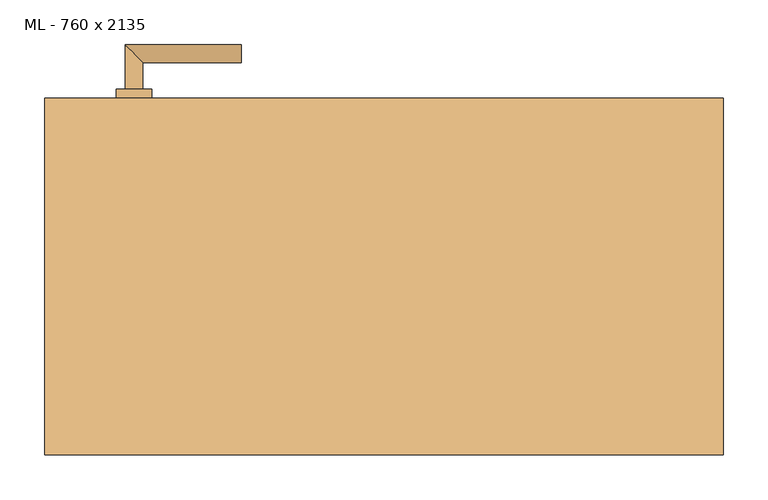
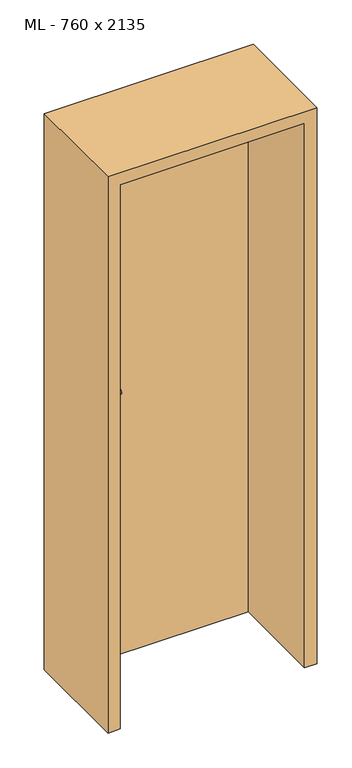
"""IFC4 building model written with IfcOpenShell, lengths in millimetres: door geometry, ML - 760 x 2135."""

from ifc_helpers import new_model, si_unit, point, frame, frame_2d, origin, origin_with_axes, place, context, project, spatial, polyline, circle_curve, ellipse_curve, trimmed, segment, composite_curve, outline, extrude, faceted_brep, source, transform, mapped, element, save
from ifc_brep_helpers import plane_surface, cylinder_surface, advanced_brep


def ml_760_x_2135_581e9e15(model_context):
    return source(origin(), model_context, "Body", "SolidModel", [
        extrude(outline(polyline([(346.0, 200.0), (346.0, 155.0), (-346.0, 155.0), (-346.0, 200.0), (346.0, 200.0)])), origin_with_axes(), (0.0, 0.0, 1.0), 2101.0),
        advanced_brep(
        [(-270.0, 210.0, 1050.0), (-290.0, 210.0, 1050.0), (-270.0, 240.0, 1050.0), (-290.0, 260.0, 1050.0), (-160.0, 240.0, 1050.0), (-160.0, 260.0, 1050.0)],
        [
            (0, 1, circle_curve(frame((-280.0, 210.0, 1050.0), z_axis=(0.0, -1.0, 0.0), x_axis=(-1.0, 0.0, 0.0)), 10.0)),
            (1, 0, circle_curve(frame((-280.0, 210.0, 1050.0), z_axis=(0.0, -1.0, 0.0), x_axis=(-1.0, 0.0, 0.0)), 10.0)),
            (0, 2),
            (2, 3, ellipse_curve(frame((-280.0, 250.0, 1050.0), z_axis=(-0.7071067811865531, -0.7071067811865419, 0.0), x_axis=(0.707106781186542, -0.707106781186553, 0.0)), 14.1421356, 10.0)),
            (3, 1),
            (3, 2, ellipse_curve(frame((-280.0, 250.0, 1050.0), z_axis=(-0.7071067811865531, -0.7071067811865419, 0.0), x_axis=(0.707106781186542, -0.707106781186553, 0.0)), 14.1421356, 10.0)),
            (4, 5, circle_curve(frame((-160.0, 250.0, 1050.0), z_axis=(1.0, 0.0, 0.0), x_axis=(0.0, 1.0, 0.0)), 10.0)),
            (5, 4, circle_curve(frame((-160.0, 250.0, 1050.0), z_axis=(1.0, 0.0, 0.0), x_axis=(0.0, 1.0, 0.0)), 10.0)),
            (2, 4),
            (5, 3),
        ],
        [
            plane_surface(frame((-280.0, 210.0, 1050.0), z_axis=(0.0, -1.0, 0.0), x_axis=(0.0, 0.0, 1.0))),
            cylinder_surface(frame((-280.0, 210.0, 1050.0), z_axis=(0.0, -1.0, 0.0), x_axis=(-1.0, 0.0, 0.0)), 10.0),
            plane_surface(frame((-160.0, 250.0, 1050.0), z_axis=(1.0, 0.0, 0.0), x_axis=(0.0, 0.0, 1.0))),
            cylinder_surface(frame((-280.0, 250.0, 1050.0), z_axis=(-1.0, 0.0, 0.0), x_axis=(0.0, 1.0, 0.0)), 10.0),
        ],
        [
            (0, [[1, 2]]),
            (1, [[-1, 3, 4, 5]]),
            (1, [[-2, -5, 6, -3]]),
            (2, [[7, 8]]),
            (3, [[-4, 9, -8, 10]]),
            (3, [[-6, -10, -7, -9]]),
        ],
    ),
        extrude(outline(composite_curve([segment(trimmed(circle_curve(frame_2d((990.0, -280.0)), 20.0), [point((990.0, -300.0))], [point((990.0, -260.0))], False, "CARTESIAN"), True, "CONTINUOUS"), segment(trimmed(circle_curve(frame_2d((990.0, -280.0)), 20.0), [point((990.0, -260.0))], [point((990.0, -300.0))], False, "CARTESIAN"), True, "CONTINUOUS")], self_intersect=False), holes=[composite_curve([segment(polyline([(976.4601385, -282.397268), (988.4749012, -282.397268)]), True, "CONTINUOUS"), segment(trimmed(circle_curve(frame_2d((995.0361633, -280.0)), 6.9854888), [point((988.4749012, -282.397268))], [point((988.4749012, -277.602732))], True, "CARTESIAN"), True, "CONTINUOUS"), segment(polyline([(988.4749012, -277.602732), (976.4601385, -277.602732)]), True, "CONTINUOUS"), segment(trimmed(circle_curve(frame_2d((976.4601385, -280.0)), 2.397268), [point((976.4601385, -277.602732))], [point((976.4601385, -282.397268))], True, "CARTESIAN"), True, "CONTINUOUS")], self_intersect=False)]), frame((0.0, 200.0, 0.0), z_axis=(0.0, 1.0, 0.0), x_axis=(0.0, 0.0, 1.0)), (0.0, 0.0, 1.0), 10.0),
        advanced_brep(
        [(-270.0, 210.0, 1050.0), (-290.0, 210.0, 1050.0), (-270.0, 240.0, 1050.0), (-290.0, 260.0, 1050.0), (-160.0, 240.0, 1050.0), (-160.0, 260.0, 1050.0)],
        [
            (0, 1, circle_curve(frame((-280.0, 210.0, 1050.0), z_axis=(0.0, -1.0, 0.0), x_axis=(-1.0, 0.0, 0.0)), 10.0)),
            (1, 0, circle_curve(frame((-280.0, 210.0, 1050.0), z_axis=(0.0, -1.0, 0.0), x_axis=(-1.0, 0.0, 0.0)), 10.0)),
            (0, 2),
            (2, 3, ellipse_curve(frame((-280.0, 250.0, 1050.0), z_axis=(-0.7071067811865537, -0.7071067811865414, 0.0), x_axis=(0.7071067811865414, -0.7071067811865536, 0.0)), 14.1421356, 10.0)),
            (3, 1),
            (3, 2, ellipse_curve(frame((-280.0, 250.0, 1050.0), z_axis=(-0.7071067811865537, -0.7071067811865414, 0.0), x_axis=(0.7071067811865414, -0.7071067811865536, 0.0)), 14.1421356, 10.0)),
            (4, 5, circle_curve(frame((-160.0, 250.0, 1050.0), z_axis=(1.0, 0.0, 0.0), x_axis=(0.0, 1.0, 0.0)), 10.0)),
            (5, 4, circle_curve(frame((-160.0, 250.0, 1050.0), z_axis=(1.0, 0.0, 0.0), x_axis=(0.0, 1.0, 0.0)), 10.0)),
            (2, 4),
            (5, 3),
        ],
        [
            plane_surface(frame((-280.0, 210.0, 1050.0), z_axis=(0.0, -1.0, 0.0), x_axis=(0.0, 0.0, 1.0))),
            cylinder_surface(frame((-280.0, 210.0, 1050.0), z_axis=(0.0, -1.0, 0.0), x_axis=(-1.0, 0.0, 0.0)), 10.0),
            plane_surface(frame((-160.0, 250.0, 1050.0), z_axis=(1.0, 0.0, 0.0), x_axis=(0.0, 0.0, 1.0))),
            cylinder_surface(frame((-280.0, 250.0, 1050.0), z_axis=(-1.0, 0.0, 0.0), x_axis=(0.0, 1.0, 0.0)), 10.0),
        ],
        [
            (0, [[1, 2]]),
            (1, [[-1, 3, 4, 5]]),
            (1, [[-2, -5, 6, -3]]),
            (2, [[7, 8]]),
            (3, [[-4, 9, -8, 10]]),
            (3, [[-6, -10, -7, -9]]),
        ],
    ),
        extrude(outline(composite_curve([segment(trimmed(circle_curve(frame_2d((1050.0, -280.0)), 20.0), [point((1050.0, -300.0))], [point((1050.0, -260.0))], False, "CARTESIAN"), True, "CONTINUOUS"), segment(trimmed(circle_curve(frame_2d((1050.0, -280.0)), 20.0), [point((1050.0, -260.0))], [point((1050.0, -300.0))], False, "CARTESIAN"), True, "CONTINUOUS")], self_intersect=False)), frame((0.0, 200.0, 0.0), z_axis=(0.0, 1.0, 0.0), x_axis=(0.0, 0.0, 1.0)), (0.0, 0.0, 1.0), 10.0),
        advanced_brep(
        [(-270.0, 145.0, 1050.0), (-290.0, 145.0, 1050.0), (-290.0, 95.0, 1050.0), (-270.0, 115.0, 1050.0), (-160.0, 115.0, 1050.0), (-160.0, 95.0, 1050.0)],
        [
            (0, 1, circle_curve(frame((-280.0, 145.0, 1050.0), z_axis=(0.0, 1.0, 0.0), x_axis=(-1.0, 0.0, 0.0)), 10.0)),
            (1, 0, circle_curve(frame((-280.0, 145.0, 1050.0), z_axis=(0.0, 1.0, 0.0), x_axis=(-1.0, 0.0, 0.0)), 10.0)),
            (1, 2),
            (2, 3, ellipse_curve(frame((-280.0, 105.0, 1050.0), z_axis=(-0.7071067811865486, 0.7071067811865464, 0.0), x_axis=(0.7071067811865464, 0.7071067811865488, 0.0)), 14.1421356, 10.0)),
            (3, 0),
            (3, 2, ellipse_curve(frame((-280.0, 105.0, 1050.0), z_axis=(-0.7071067811865486, 0.7071067811865464, 0.0), x_axis=(0.7071067811865464, 0.7071067811865488, 0.0)), 14.1421356, 10.0)),
            (4, 5, circle_curve(frame((-160.0, 105.0, 1050.0), z_axis=(1.0, 0.0, 0.0), x_axis=(0.0, -1.0, 0.0)), 10.0)),
            (5, 4, circle_curve(frame((-160.0, 105.0, 1050.0), z_axis=(1.0, 0.0, 0.0), x_axis=(0.0, -1.0, 0.0)), 10.0)),
            (2, 5),
            (4, 3),
        ],
        [
            plane_surface(frame((-280.0, 145.0, 1050.0), z_axis=(0.0, 1.0, 0.0), x_axis=(0.0, 0.0, 1.0))),
            cylinder_surface(frame((-280.0, 145.0, 1050.0), z_axis=(0.0, 1.0, 0.0), x_axis=(-1.0, 0.0, 0.0)), 10.0),
            plane_surface(frame((-160.0, 105.0, 1050.0), z_axis=(1.0, 0.0, 0.0), x_axis=(0.0, 0.0, 1.0))),
            cylinder_surface(frame((-280.0, 105.0, 1050.0), z_axis=(-1.0, 0.0, 0.0), x_axis=(0.0, -1.0, 0.0)), 10.0),
        ],
        [
            (0, [[1, 2]]),
            (1, [[3, 4, 5, -2]]),
            (1, [[-5, 6, -3, -1]]),
            (2, [[7, 8]]),
            (3, [[9, -7, 10, -4]]),
            (3, [[-10, -8, -9, -6]]),
        ],
    ),
        extrude(outline(composite_curve([segment(trimmed(circle_curve(frame_2d((990.0, -280.0)), 20.0), [point((990.0, -300.0))], [point((990.0, -260.0))], False, "CARTESIAN"), True, "CONTINUOUS"), segment(trimmed(circle_curve(frame_2d((990.0, -280.0)), 20.0), [point((990.0, -260.0))], [point((990.0, -300.0))], False, "CARTESIAN"), True, "CONTINUOUS")], self_intersect=False), holes=[composite_curve([segment(polyline([(976.4601385, -282.397268), (988.4749012, -282.397268)]), True, "CONTINUOUS"), segment(trimmed(circle_curve(frame_2d((995.0361633, -280.0)), 6.9854888), [point((988.4749012, -282.397268))], [point((988.4749012, -277.602732))], True, "CARTESIAN"), True, "CONTINUOUS"), segment(polyline([(988.4749012, -277.602732), (976.4601385, -277.602732)]), True, "CONTINUOUS"), segment(trimmed(circle_curve(frame_2d((976.4601385, -280.0)), 2.397268), [point((976.4601385, -277.602732))], [point((976.4601385, -282.397268))], True, "CARTESIAN"), True, "CONTINUOUS")], self_intersect=False)]), frame((0.0, 145.0, 0.0), z_axis=(0.0, 1.0, 0.0), x_axis=(0.0, 0.0, 1.0)), (0.0, 0.0, 1.0), 10.0),
        advanced_brep(
        [(-270.0, 145.0, 1050.0), (-290.0, 145.0, 1050.0), (-290.0, 95.0, 1050.0), (-270.0, 115.0, 1050.0), (-160.0, 115.0, 1050.0), (-160.0, 95.0, 1050.0)],
        [
            (0, 1, circle_curve(frame((-280.0, 145.0, 1050.0), z_axis=(0.0, 1.0, 0.0), x_axis=(-1.0, 0.0, 0.0)), 10.0)),
            (1, 0, circle_curve(frame((-280.0, 145.0, 1050.0), z_axis=(0.0, 1.0, 0.0), x_axis=(-1.0, 0.0, 0.0)), 10.0)),
            (1, 2),
            (2, 3, ellipse_curve(frame((-280.0, 105.0, 1050.0), z_axis=(-0.7071067811865491, 0.7071067811865459, 0.0), x_axis=(0.7071067811865458, 0.7071067811865492, 0.0)), 14.1421356, 10.0)),
            (3, 0),
            (3, 2, ellipse_curve(frame((-280.0, 105.0, 1050.0), z_axis=(-0.7071067811865491, 0.7071067811865459, 0.0), x_axis=(0.7071067811865458, 0.7071067811865492, 0.0)), 14.1421356, 10.0)),
            (4, 5, circle_curve(frame((-160.0, 105.0, 1050.0), z_axis=(1.0, 0.0, 0.0), x_axis=(0.0, -1.0, 0.0)), 10.0)),
            (5, 4, circle_curve(frame((-160.0, 105.0, 1050.0), z_axis=(1.0, 0.0, 0.0), x_axis=(0.0, -1.0, 0.0)), 10.0)),
            (2, 5),
            (4, 3),
        ],
        [
            plane_surface(frame((-280.0, 145.0, 1050.0), z_axis=(0.0, 1.0, 0.0), x_axis=(0.0, 0.0, 1.0))),
            cylinder_surface(frame((-280.0, 145.0, 1050.0), z_axis=(0.0, 1.0, 0.0), x_axis=(-1.0, 0.0, 0.0)), 10.0),
            plane_surface(frame((-160.0, 105.0, 1050.0), z_axis=(1.0, 0.0, 0.0), x_axis=(0.0, 0.0, 1.0))),
            cylinder_surface(frame((-280.0, 105.0, 1050.0), z_axis=(-1.0, 0.0, 0.0), x_axis=(0.0, -1.0, 0.0)), 10.0),
        ],
        [
            (0, [[1, 2]]),
            (1, [[3, 4, 5, -2]]),
            (1, [[-5, 6, -3, -1]]),
            (2, [[7, 8]]),
            (3, [[9, -7, 10, -4]]),
            (3, [[-10, -8, -9, -6]]),
        ],
    ),
        extrude(outline(composite_curve([segment(trimmed(circle_curve(frame_2d((1050.0, -280.0)), 20.0), [point((1050.0, -300.0))], [point((1050.0, -260.0))], False, "CARTESIAN"), True, "CONTINUOUS"), segment(trimmed(circle_curve(frame_2d((1050.0, -280.0)), 20.0), [point((1050.0, -260.0))], [point((1050.0, -300.0))], False, "CARTESIAN"), True, "CONTINUOUS")], self_intersect=False)), frame((0.0, 145.0, 0.0), z_axis=(0.0, 1.0, 0.0), x_axis=(0.0, 0.0, 1.0)), (0.0, 0.0, 1.0), 10.0),
        faceted_brep([(-350.0, 200.0, 0.0), (-350.0, 155.0, 0.0), (-335.0, 155.0, 0.0), (-335.0, -200.0, 0.0), (-380.0, -200.0, 0.0), (-380.0, 200.0, 0.0), (-350.0, 200.0, 2105.0), (-350.0, 155.0, 2105.0), (350.0, 155.0, 2105.0), (350.0, 155.0, 0.0), (335.0, 155.0, 0.0), (335.0, 155.0, 2090.0), (-335.0, 155.0, 2090.0), (-335.0, -200.0, 2090.0), (335.0, -200.0, 2090.0), (335.0, -200.0, 0.0), (380.0, -200.0, 0.0), (380.0, -200.0, 2135.0), (-380.0, -200.0, 2135.0), (-380.0, 200.0, 2135.0), (380.0, 200.0, 2135.0), (380.0, 200.0, 0.0), (350.0, 200.0, 0.0), (350.0, 200.0, 2105.0)], [[[0, 1, 2, 3, 4, 5]], [[1, 0, 6, 7]], [[2, 1, 7, 8, 9, 10, 11, 12]], [[3, 2, 12, 13]], [[4, 3, 13, 14, 15, 16, 17, 18]], [[5, 4, 18, 19]], [[0, 5, 19, 20, 21, 22, 23, 6]], [[20, 17, 16, 21]], [[22, 21, 16, 15, 10, 9]], [[8, 23, 22, 9]], [[14, 11, 10, 15]], [[19, 18, 17, 20]], [[13, 12, 11, 14]], [[7, 6, 23, 8]]]),
    ])


if __name__ == "__main__":
    model = new_model("IFC4")
    model_context = context("Model", 3, world=origin())
    ifc_project = project(units=[si_unit("LENGTHUNIT", "METRE", prefix="MILLI")], contexts=[model_context])
    site = spatial("IfcSite", under=ifc_project)
    building = spatial("IfcBuilding", under=site)
    placement = place(None, origin())
    ml_760_x_2135_shape = ml_760_x_2135_581e9e15(model_context)
    element("IfcDoor", 1, ObjectType="ML - 760 x 2135", at=placement, inside=building, context=model_context, shape_type="MappedRepresentation", body=[
        mapped(ml_760_x_2135_shape, transform((0.0, 0.0, 0.0), x_axis=(1.0, 0.0, 0.0), y_axis=(0.0, 1.0, 0.0), z_axis=(0.0, 0.0, 1.0))),
    ])
    save(model, "model.ifc")
